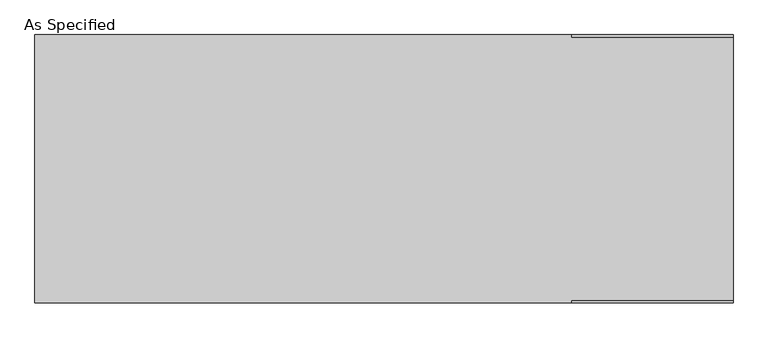
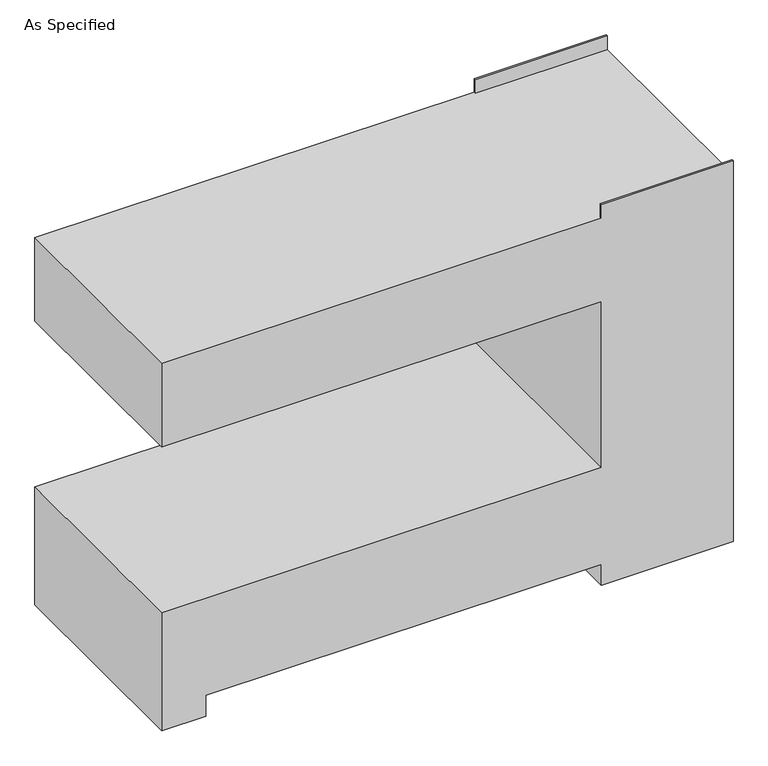
"""IFC4 building model written with IfcOpenShell, lengths in millimetres: proxy geometry, As Specified."""

from ifc_helpers import new_model, si_unit, origin, place, context, project, spatial, faceted_brep, source, transform, mapped, element, save


def as_specified_03471e7e(model_context):
    return source(origin(), model_context, "Body", "Brep", [
        faceted_brep([(-990.6, 381.0, 1346.2), (-990.6, -381.0, 1346.2), (533.4, -381.0, 1346.2), (533.4, -374.65, 1346.2), (990.6, -374.65, 1346.2), (990.6, 374.65, 1346.2), (533.4, 374.65, 1346.2), (533.4, 381.0, 1346.2), (990.6, 381.0, 0.0), (990.6, -381.0, 0.0), (533.4, -381.0, 0.0), (533.4, 381.0, 0.0), (-990.6, -381.0, 0.0), (-990.6, 381.0, 0.0), (-838.2, 381.0, 0.0), (-838.2, -381.0, 0.0), (533.4, 381.0, 76.2), (-838.2, 381.0, 76.2), (-990.6, 381.0, 431.8), (533.4, 381.0, 431.8), (533.4, 381.0, 1041.4), (-990.6, 381.0, 1041.4), (533.4, 381.0, 1397.0), (990.6, 381.0, 1397.0), (-990.6, -381.0, 1041.4), (-990.6, -381.0, 431.8), (-838.2, -381.0, 76.2), (533.4, -381.0, 76.2), (990.6, -381.0, 1397.0), (533.4, -381.0, 1397.0), (533.4, -381.0, 1041.4), (533.4, -381.0, 431.8), (990.6, 374.65, 1397.0), (990.6, -374.65, 1397.0), (533.4, -374.65, 1397.0), (533.4, 374.65, 1397.0)], [[[0, 1, 2, 3, 4, 5, 6, 7]], [[8, 9, 10, 11]], [[12, 13, 14, 15]], [[8, 11, 16, 17, 14, 13, 18, 19, 20, 21, 0, 7, 22, 23]], [[1, 0, 21, 24]], [[13, 12, 25, 18]], [[25, 12, 15, 26, 27, 10, 9, 28, 29, 2, 1, 24, 30, 31]], [[9, 8, 23, 32, 5, 4, 33, 28]], [[31, 19, 18, 25]], [[19, 31, 30, 20]], [[20, 30, 24, 21]], [[17, 26, 15, 14]], [[27, 16, 11, 10]], [[26, 17, 16, 27]], [[29, 34, 3, 2]], [[34, 29, 28, 33]], [[3, 34, 33, 4]], [[22, 7, 6, 35]], [[22, 35, 32, 23]], [[35, 6, 5, 32]]]),
    ])


if __name__ == "__main__":
    model = new_model("IFC4")
    model_context = context("Model", 3, world=origin())
    ifc_project = project(units=[si_unit("LENGTHUNIT", "METRE", prefix="MILLI")], contexts=[model_context])
    site = spatial("IfcSite", under=ifc_project)
    building = spatial("IfcBuilding", under=site)
    placement = place(None, origin())
    as_specified_shape = as_specified_03471e7e(model_context)
    element("IfcBuildingElementProxy", 1, Name="As Specified", ObjectType="As Specified", at=placement, inside=building, context=model_context, shape_type="MappedRepresentation", body=[
        mapped(as_specified_shape, transform((0.0, 0.0, 0.0), x_axis=(1.0, 0.0, 0.0), y_axis=(0.0, 1.0, 0.0), z_axis=(0.0, 0.0, 1.0))),
    ])
    save(model, "model.ifc")
